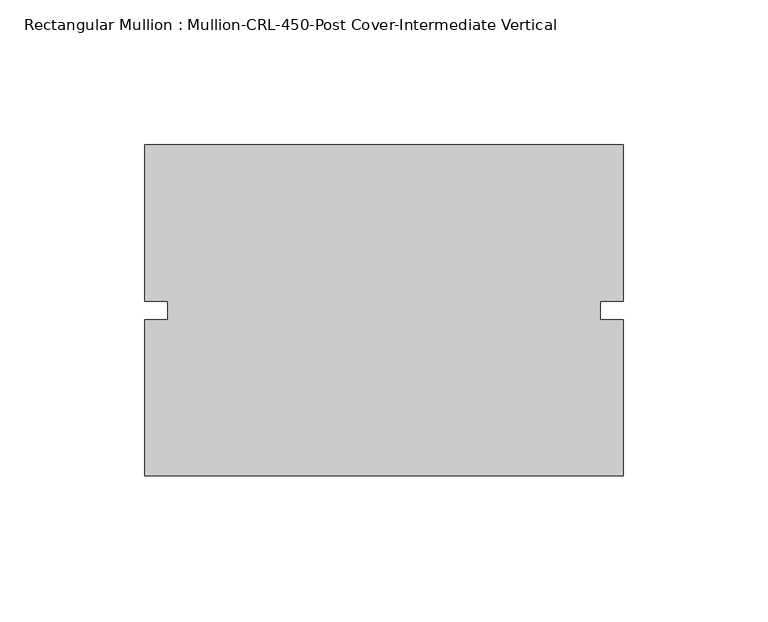
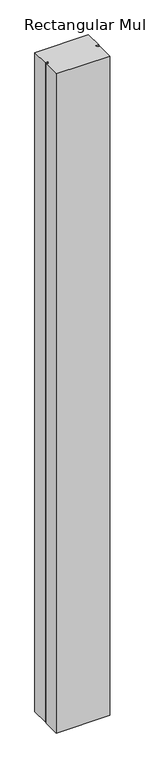
"""IFC4 building model written with IfcOpenShell, lengths in millimetres: member geometry, Rectangular Mullion : Mullion-CRL-450-Post Cover-Intermediate Vertical."""

from ifc_helpers import new_model, si_unit, frame, origin, place, context, project, spatial, polyline, outline, extrude, source, transform, mapped, element, save


def rectangular_mullion_mullion_crl_450_post_cover_intermediate_69ba4f45(model_context):
    return source(origin(), model_context, "Body", "SweptSolid", [
        extrude(outline(polyline([(82.55, -57.15), (-82.55, -57.15), (-82.55, -3.175), (-74.6125, -3.175), (-74.6125, 3.175), (-82.55, 3.175), (-82.55, 57.15), (82.55, 57.15), (82.55, 3.175), (74.6125, 3.175), (74.6125, -3.175), (82.55, -3.175), (82.55, -57.15)])), frame((0.0, 0.0, -2149.475), z_axis=(0.0, 0.0, 1.0), x_axis=(1.0, 0.0, 0.0)), (0.0, 0.0, 1.0), 2149.475),
    ])


if __name__ == "__main__":
    model = new_model("IFC4")
    model_context = context("Model", 3, world=origin())
    ifc_project = project(units=[si_unit("LENGTHUNIT", "METRE", prefix="MILLI")], contexts=[model_context])
    site = spatial("IfcSite", under=ifc_project)
    building = spatial("IfcBuilding", under=site)
    placement = place(None, origin())
    rectangular_mullion_mullion_crl_450_post_cover_intermediate_shape = rectangular_mullion_mullion_crl_450_post_cover_intermediate_69ba4f45(model_context)
    element("IfcMember", 1, ObjectType="Rectangular Mullion : Mullion-CRL-450-Post Cover-Intermediate Vertical", at=placement, inside=building, context=model_context, shape_type="MappedRepresentation", body=[
        mapped(rectangular_mullion_mullion_crl_450_post_cover_intermediate_shape, transform((0.0, 0.0, 0.0), x_axis=(1.0, 0.0, 0.0), y_axis=(0.0, 1.0, 0.0), z_axis=(0.0, 0.0, 1.0))),
    ])
    save(model, "model.ifc")
